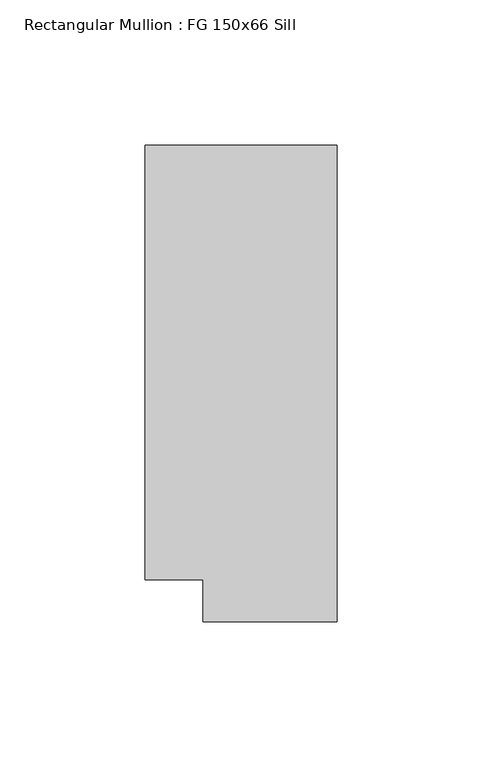
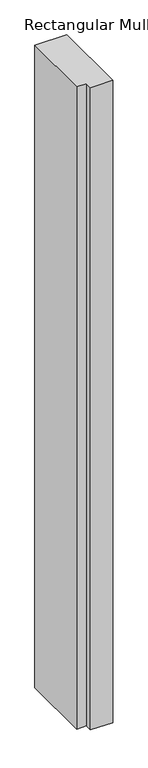
"""IFC4 building model written with IfcOpenShell, lengths in millimetres: member geometry, Rectangular Mullion : FG 150x66 Sill."""

from ifc_helpers import new_model, si_unit, frame, origin, place, context, project, spatial, polyline, outline, extrude, source, transform, mapped, element, save


def rectangular_mullion_fg_150x66_sill_698cb0a8(model_context):
    return source(origin(), model_context, "Body", "SweptSolid", [
        extrude(outline(polyline([(0.0, 75.0), (0.0, -89.0), (-46.0000284, -89.0), (-46.0000284, -74.5), (-65.9954662, -74.5), (-65.9954662, 75.0), (0.0, 75.0)])), frame((0.0, 0.0, -1402.8333333), z_axis=(0.0, 0.0, 1.0), x_axis=(1.0, 0.0, 0.0)), (0.0, 0.0, 1.0), 1402.8333333),
    ])


if __name__ == "__main__":
    model = new_model("IFC4")
    model_context = context("Model", 3, world=origin())
    ifc_project = project(units=[si_unit("LENGTHUNIT", "METRE", prefix="MILLI")], contexts=[model_context])
    site = spatial("IfcSite", under=ifc_project)
    building = spatial("IfcBuilding", under=site)
    placement = place(None, origin())
    rectangular_mullion_fg_150x66_sill_shape = rectangular_mullion_fg_150x66_sill_698cb0a8(model_context)
    element("IfcMember", 1, ObjectType="Rectangular Mullion : FG 150x66 Sill", at=placement, inside=building, context=model_context, shape_type="MappedRepresentation", body=[
        mapped(rectangular_mullion_fg_150x66_sill_shape, transform((0.0, 0.0, 0.0), x_axis=(1.0, 0.0, 0.0), y_axis=(0.0, 1.0, 0.0), z_axis=(0.0, 0.0, 1.0))),
    ])
    save(model, "model.ifc")
